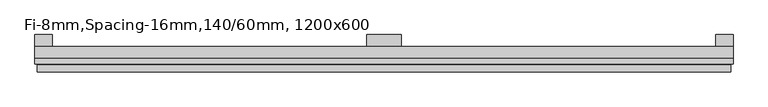
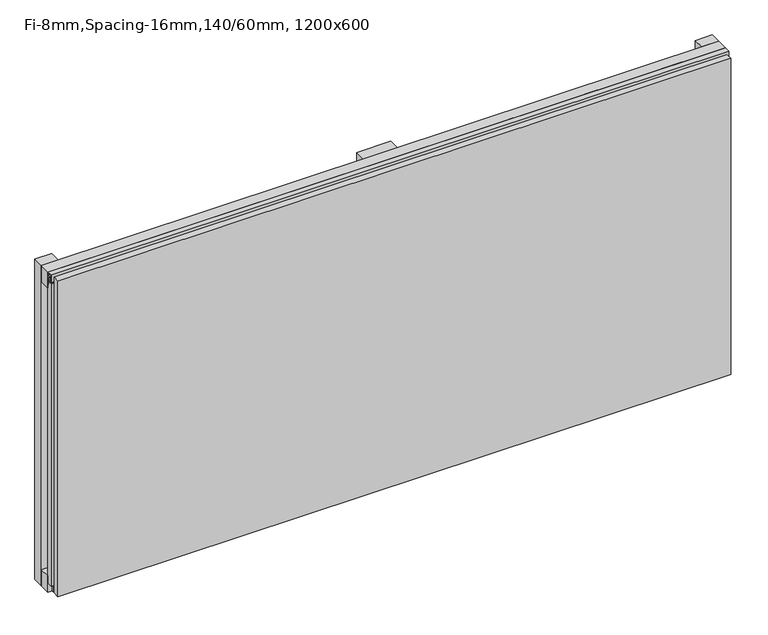
"""IFC4 building model written with IfcOpenShell, lengths in millimetres: plate geometry, Fi-8mm,Spacing-16mm,140/60mm, 1200x600."""

from ifc_helpers import new_model, si_unit, frame, origin, origin_with_axes, place, context, project, spatial, polyline, outline, extrude, faceted_brep, source, transform, mapped, element, save


def fi_8mm_spacing_16mm_140_60mm_1200x600_536dd57b(model_context):
    return source(origin(), model_context, "Body", "SolidModel", [
        extrude(outline(polyline([(-600.0, -40.0), (-600.0, -20.0), (600.0, -20.0), (600.0, -40.0), (-600.0, -40.0)])), frame((0.0, 0.0, 570.0), z_axis=(0.0, 0.0, 1.0), x_axis=(1.0, 0.0, 0.0)), (0.0, 0.0, 1.0), 30.0),
        extrude(outline(polyline([(-600.0, -40.0), (-600.0, -20.0), (600.0, -20.0), (600.0, -40.0), (-600.0, -40.0)])), origin_with_axes(), (0.0, 0.0, 1.0), 30.0),
        extrude(outline(polyline([(570.0, 0.0), (600.0, 0.0), (600.0, -20.0), (570.0, -20.0), (570.0, 0.0)])), origin_with_axes(), (0.0, 0.0, 1.0), 600.0),
        extrude(outline(polyline([(30.0, 0.0), (30.0, -20.0), (-30.0, -20.0), (-30.0, 0.0), (30.0, 0.0)])), origin_with_axes(), (0.0, 0.0, 1.0), 600.0),
        extrude(outline(polyline([(-570.0, 0.0), (-570.0, -20.0), (-600.0, -20.0), (-600.0, 0.0), (-570.0, 0.0)])), origin_with_axes(), (0.0, 0.0, 1.0), 600.0),
        extrude(outline(polyline([(-40.0, 593.700916), (-43.5, 593.700916), (-40.0553267, 584.6441401), (-40.0553267, 577.008452), (-41.4553267, 577.008452), (-41.4553267, 584.4296606), (-45.5140545, 595.100916), (-41.4, 595.100916), (-41.4, 598.5843193), (-48.7, 598.5843193), (-48.7, 586.5843193), (-50.1, 586.5843193), (-50.1, 600.0), (-40.0, 600.0), (-40.0, 593.700916)])), frame((-600.0, 0.0, 0.0), z_axis=(1.0, 0.0, 0.0), x_axis=(0.0, 1.0, 0.0)), (0.0, 0.0, 1.0), 1200.0),
        extrude(outline(polyline([(-593.700916, -40.0), (-593.700916, -43.5), (-584.6441401, -40.0553267), (-577.008452, -40.0553267), (-577.008452, -41.4553267), (-584.4296606, -41.4553267), (-595.100916, -45.5140545), (-595.100916, -41.4), (-598.5843193, -41.4), (-598.5843193, -48.7), (-586.5843193, -48.7), (-586.5843193, -50.1), (-600.0, -50.1), (-600.0, -40.0), (-593.700916, -40.0)])), frame((0.0, 0.0, 16.9558599), z_axis=(0.0, 0.0, 1.0), x_axis=(1.0, 0.0, 0.0)), (0.0, 0.0, 1.0), 566.0882802),
        extrude(outline(polyline([(593.700916, -40.0), (600.0, -40.0), (600.0, -50.1), (586.5843193, -50.1), (586.5843193, -48.7), (598.5843193, -48.7), (598.5843193, -41.4), (595.100916, -41.4), (595.100916, -45.5140545), (584.4296606, -41.4553267), (577.008452, -41.4553267), (577.008452, -40.0553267), (584.6441401, -40.0553267), (593.700916, -43.5), (593.700916, -40.0)])), frame((0.0, 0.0, 16.9558599), z_axis=(0.0, 0.0, 1.0), x_axis=(1.0, 0.0, 0.0)), (0.0, 0.0, 1.0), 566.0882802),
        faceted_brep([(596.0, -45.9, 596.0), (-596.0, -45.9, 596.0), (-596.0, -48.7, 596.0), (596.0, -48.7, 596.0), (-596.0, -63.9, 596.0), (596.0, -63.9, 596.0), (596.0, -51.9, 596.0), (-596.0, -51.9, 596.0), (-596.0, -45.9, 4.0), (596.0, -45.9, 4.0), (596.0, -48.7, 4.0), (-596.0, -48.7, 4.0), (596.0, -63.9, 4.0), (-596.0, -63.9, 4.0), (-596.0, -51.9, 4.0), (596.0, -51.9, 4.0), (584.0, -51.9, 584.0), (584.0, -51.9, 16.0), (584.0, -48.7, 16.0), (584.0, -48.7, 584.0), (-584.0, -51.9, 16.0), (-584.0, -48.7, 16.0), (-584.0, -51.9, 584.0), (-584.0, -48.7, 584.0)], [[[0, 1, 2, 3]], [[4, 5, 6, 7]], [[8, 9, 10, 11]], [[12, 13, 14, 15]], [[1, 0, 9, 8]], [[1, 8, 11, 2]], [[13, 4, 7, 14]], [[5, 4, 13, 12]], [[9, 0, 3, 10]], [[5, 12, 15, 6]], [[16, 17, 18, 19]], [[18, 17, 20, 21]], [[21, 20, 22, 23]], [[16, 19, 23, 22]], [[7, 6, 15, 14], [17, 16, 22, 20]], [[3, 2, 11, 10], [19, 18, 21, 23]]]),
    ])


if __name__ == "__main__":
    model = new_model("IFC4")
    model_context = context("Model", 3, world=origin())
    ifc_project = project(units=[si_unit("LENGTHUNIT", "METRE", prefix="MILLI")], contexts=[model_context])
    site = spatial("IfcSite", under=ifc_project)
    building = spatial("IfcBuilding", under=site)
    placement = place(None, origin())
    fi_8mm_spacing_16mm_140_60mm_1200x600_shape = fi_8mm_spacing_16mm_140_60mm_1200x600_536dd57b(model_context)
    element("IfcPlate", 1, ObjectType="Fi-8mm,Spacing-16mm,140/60mm, 1200x600", at=placement, inside=building, context=model_context, shape_type="MappedRepresentation", body=[
        mapped(fi_8mm_spacing_16mm_140_60mm_1200x600_shape, transform((0.0, 0.0, 0.0), x_axis=(1.0, 0.0, 0.0), y_axis=(0.0, 1.0, 0.0), z_axis=(0.0, 0.0, 1.0))),
    ])
    save(model, "model.ifc")
